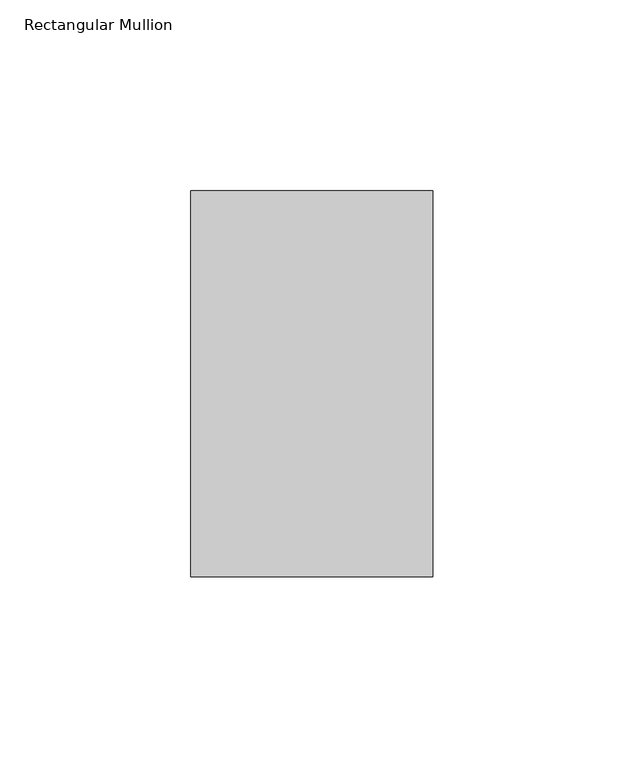
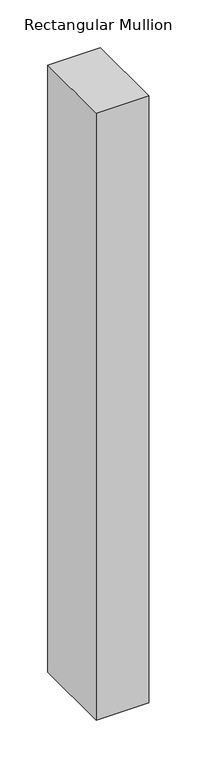
"""IFC4 building model written with IfcOpenShell, lengths in millimetres: member geometry, Rectangular Mullion."""

from ifc_helpers import new_model, si_unit, frame, origin, place, context, project, spatial, polyline, outline, extrude, source, transform, mapped, element, save


def rectangular_mullion_bd36ca55(model_context):
    return source(origin(), model_context, "Body", "SweptSolid", [
        extrude(outline(polyline([(31.75, 133.4396937), (31.75, 32.2460937), (-31.75, 32.2460938), (-31.75, 133.4396937), (31.75, 133.4396937)])), frame((0.0, 0.0, -774.7), z_axis=(0.0, 0.0, 1.0), x_axis=(1.0, 0.0, 0.0)), (0.0, 0.0, 1.0), 774.7),
    ])


if __name__ == "__main__":
    model = new_model("IFC4")
    model_context = context("Model", 3, world=origin())
    ifc_project = project(units=[si_unit("LENGTHUNIT", "METRE", prefix="MILLI")], contexts=[model_context])
    site = spatial("IfcSite", under=ifc_project)
    building = spatial("IfcBuilding", under=site)
    placement = place(None, origin())
    rectangular_mullion_shape = rectangular_mullion_bd36ca55(model_context)
    element("IfcMember", 1, ObjectType="Rectangular Mullion", at=placement, inside=building, context=model_context, shape_type="MappedRepresentation", body=[
        mapped(rectangular_mullion_shape, transform((0.0, 0.0, 0.0), x_axis=(1.0, 0.0, 0.0), y_axis=(0.0, 1.0, 0.0), z_axis=(0.0, 0.0, 1.0))),
    ])
    save(model, "model.ifc")
